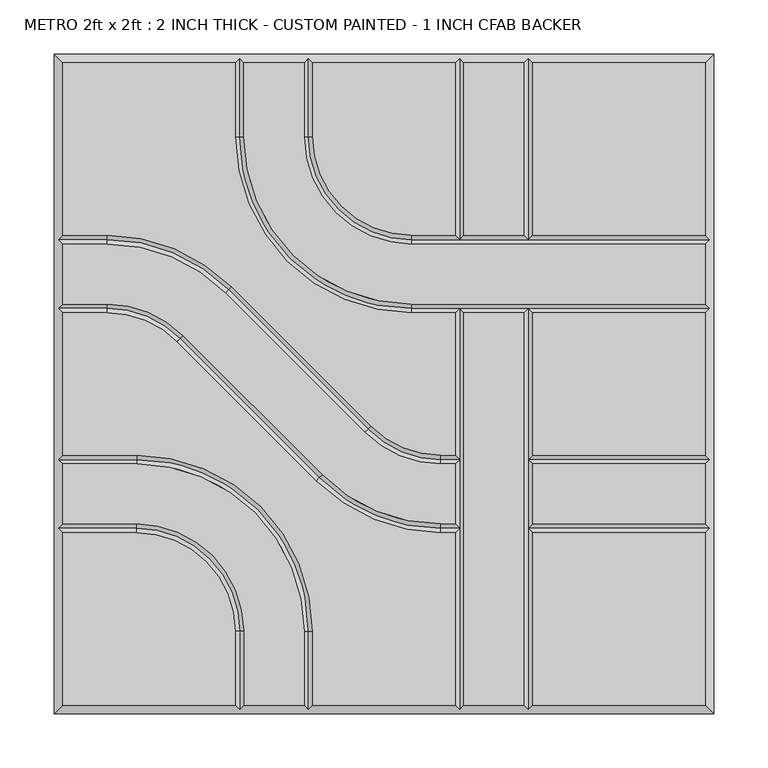
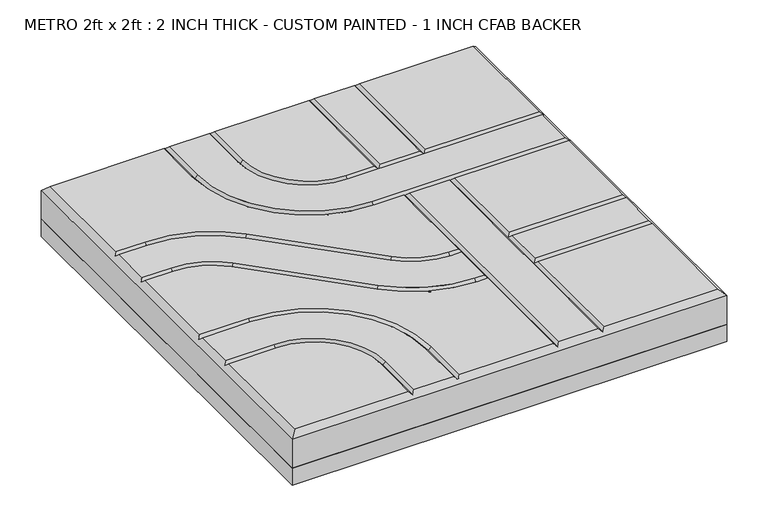
"""IFC4 building model written with IfcOpenShell, lengths in millimetres: proxy geometry, METRO 2ft x 2ft : 2 INCH THICK - CUSTOM PAINTED - 1 INCH CFAB BACKER."""

from ifc_helpers import new_model, si_unit, frame, origin, place, context, project, spatial, polyline, circle_curve, outline, extrude, source, transform, mapped, element, save
from ifc_brep_helpers import plane_surface, revolved_surface, advanced_brep


def metro_2ft_x_2ft_2_inch_thick_custom_painted_1_inch_cfab_a051d8b5(model_context):
    return source(origin(), model_context, "Body", "SolidModel", [
        extrude(outline(polyline([(-304.8, 304.8), (304.8, 304.8), (304.8, -304.8), (-304.8, -304.8), (-304.8, 304.8)])), frame((0.0, 0.0, -25.4), z_axis=(0.0, 0.0, 1.0), x_axis=(1.0, 0.0, 0.0)), (0.0, 0.0, 1.0), 25.4),
        advanced_brep(
        [(-296.799, 296.799, 50.8), (-296.799, 137.3505125, 50.8), (-255.8081898, 137.3505125, 50.8), (-140.7286116, 89.6843987, 50.8), (-11.9143433, -39.124488, 50.8), (52.607449, -65.8495, 50.8), (65.8495, -65.8495, 50.8), (65.8495, 65.8494982, 50.8), (25.3995376, 65.8494982, 50.8), (-137.3509624, 228.5999982, 50.8), (-137.3509624, 296.799, 50.8), (296.799, 137.3504983, 50.8), (296.799, 296.799, 50.8), (137.3504989, 296.799, 50.8), (137.3504989, 137.3504983, 50.8), (-296.799, -137.3504992, 50.8), (-296.799, -296.799, 50.8), (-137.3505299, -296.799, 50.8), (-137.3505299, -228.5999992, 50.8), (-228.6000299, -137.3504992, 50.8), (137.3505, -296.799, 50.8), (296.799, -296.799, 50.8), (296.799, -137.3505, 50.8), (137.3505, -137.3505, 50.8), (52.607449, -73.8505, 50.8), (-17.5717865, -44.7821676, 50.8), (-146.3860548, 84.0267191, 50.8), (-255.8081898, 129.3495125, 50.8), (-296.799, 129.3495125, 50.8), (-296.799, 73.8505125, 50.8), (-255.8074396, 73.8505125, 50.8), (-185.6278585, 44.7818346, 50.8), (-56.8157432, -84.0261678, 50.8), (52.6069307, -129.3495, 50.8), (65.8495, -129.3495, 50.8), (65.8495, -73.8505, 50.8), (52.6069307, -137.3505, 50.8), (-62.4732142, -89.6838195, 50.8), (-191.2853295, 39.1241829, 50.8), (-255.8074396, 65.8495125, 50.8), (-296.799, 65.8495125, 50.8), (-296.799, -65.8494992, 50.8), (-228.6000171, -65.8494992, 50.8), (-65.8495171, -228.5999992, 50.8), (-65.8495171, -296.799, 50.8), (65.8495, -296.799, 50.8), (65.8495, -137.3505, 50.8), (-129.3495299, -228.5999992, 50.8), (-129.3495299, -296.799, 50.8), (-73.8505171, -296.799, 50.8), (-73.8505171, -228.5999992, 50.8), (-228.6000171, -73.8504992, 50.8), (-296.799, -73.8504992, 50.8), (-296.799, -129.3494992, 50.8), (-228.6000299, -129.3494992, 50.8), (-129.3499624, 296.799, 50.8), (-129.3499624, 228.5999982, 50.8), (25.3995376, 73.8504982, 50.8), (296.799, 73.8504982, 50.8), (296.799, 129.3494983, 50.8), (25.3995504, 129.3494983, 50.8), (-73.8509496, 228.5999983, 50.8), (-73.8509496, 296.799, 50.8), (-65.8499496, 296.799, 50.8), (-65.8499496, 228.5999983, 50.8), (25.3995504, 137.3504983, 50.8), (65.8494989, 137.3504983, 50.8), (65.8494989, 296.799, 50.8), (73.8504989, 296.799, 50.8), (73.8504989, 137.3504983, 50.8), (129.3494989, 137.3504983, 50.8), (129.3494989, 296.799, 50.8), (73.8505, 65.8494982, 50.8), (73.8505, -296.799, 50.8), (129.3495, -296.799, 50.8), (129.3495, 65.8494982, 50.8), (296.799, 65.8494982, 50.8), (137.3505, 65.8494982, 50.8), (137.3505, -65.8495, 50.8), (296.799, -65.8495, 50.8), (137.3505, -129.3495, 50.8), (296.799, -129.3495, 50.8), (296.799, -73.8505, 50.8), (137.3505, -73.8505, 50.8), (-304.8, 304.8, 0.0), (304.8, 304.8, 0.0), (304.8, -304.8, 0.0), (-304.8, -304.8, 0.0), (-304.8, -304.8, 42.799), (-304.8, 304.8, 42.799), (304.8, -304.8, 42.799), (304.8, 304.8, 42.799), (-133.3504624, 300.7995, 46.7995), (-69.8504496, 300.7995, 46.7995), (69.8499989, 300.7995, 46.7995), (133.3499989, 300.7995, 46.7995), (-300.7995, -133.3499992, 46.7995), (-300.7995, -69.8499992, 46.7995), (-300.7995, 69.8500125, 46.7995), (-300.7995, 133.3500125, 46.7995), (133.35, -300.7995, 46.7995), (69.85, -300.7995, 46.7995), (-69.8500171, -300.7995, 46.7995), (-133.3500299, -300.7995, 46.7995), (300.7995, 133.3499983, 46.7995), (300.7995, 69.8499982, 46.7995), (300.7995, -69.85, 46.7995), (300.7995, -133.35, 46.7995), (69.85, -69.85, 46.7995), (52.607449, -69.85, 46.7995), (-14.7430649, -41.9533278, 46.7995), (-143.5573332, 86.8555589, 46.7995), (-255.8081898, 133.3500125, 46.7995), (69.85, -133.35, 46.7995), (52.6069307, -133.35, 46.7995), (-59.6444787, -86.8549936, 46.7995), (-188.456594, 41.9530087, 46.7995), (-255.8074396, 69.8500125, 46.7995), (-133.3500299, -228.5999992, 46.7995), (-228.6000299, -133.3499992, 46.7995), (-228.6000171, -69.8499992, 46.7995), (-69.8500171, -228.5999992, 46.7995), (-133.3504624, 228.5999982, 46.7995), (25.3995376, 69.8499982, 46.7995), (69.85, 69.8499982, 46.7995), (133.35, 69.8499982, 46.7995), (-69.8504496, 228.5999983, 46.7995), (25.3995504, 133.3499983, 46.7995), (133.3499989, 133.3499983, 46.7995), (69.8499989, 133.3499983, 46.7995), (133.35, -133.35, 46.7995), (133.35, -69.85, 46.7995)],
        [
            (0, 1),
            (1, 2),
            (2, 3, circle_curve(frame((-255.8081898, -25.3999875, 50.8), z_axis=(0.0, 0.0, -1.0), x_axis=(0.7070920101993013, 0.7071215518652442, 0.0)), 162.7505)),
            (3, 4),
            (4, 5, circle_curve(frame((52.607449, 25.4, 50.8), z_axis=(0.0, 0.0, 1.0), x_axis=(0.0, -1.0, 0.0)), 91.2495)),
            (5, 6),
            (6, 7),
            (7, 8),
            (8, 9, circle_curve(frame((25.3995376, 228.5999982, 50.8), z_axis=(0.0, 0.0, -1.0), x_axis=(-1.0, 0.0, 0.0)), 162.7505)),
            (9, 10),
            (10, 0),
            (11, 12),
            (12, 13),
            (13, 14),
            (14, 11),
            (15, 16),
            (16, 17),
            (17, 18),
            (18, 19, circle_curve(frame((-228.6000299, -228.5999992, 50.8), z_axis=(0.0, 0.0, 1.0), x_axis=(1.0, 0.0, 0.0)), 91.2495)),
            (19, 15),
            (20, 21),
            (21, 22),
            (22, 23),
            (23, 20),
            (24, 25, circle_curve(frame((52.607449, 25.4, 50.8), z_axis=(0.0, 0.0, -1.0), x_axis=(0.0, -1.0, 0.0)), 99.2505)),
            (25, 26),
            (26, 27, circle_curve(frame((-255.8081898, -25.3999875, 50.8), z_axis=(0.0, 0.0, 1.0), x_axis=(0.7070920101993013, 0.7071215518652442, 0.0)), 154.7495)),
            (27, 28),
            (28, 29),
            (29, 30),
            (30, 31, circle_curve(frame((-255.8074396, -25.3999875, 50.8), z_axis=(0.0, 0.0, -1.0), x_axis=(0.7070954919838734, 0.7071180702089884, 0.0)), 99.2505)),
            (31, 32),
            (32, 33, circle_curve(frame((52.6069307, 25.4, 50.8), z_axis=(0.0, 0.0, 1.0), x_axis=(0.0, -1.0, 0.0)), 154.7495)),
            (33, 34),
            (34, 35),
            (35, 24),
            (36, 37, circle_curve(frame((52.6069307, 25.4, 50.8), z_axis=(0.0, 0.0, -1.0), x_axis=(0.0, -1.0, 0.0)), 162.7505)),
            (37, 38),
            (38, 39, circle_curve(frame((-255.8074396, -25.3999875, 50.8), z_axis=(0.0, 0.0, 1.0), x_axis=(0.7070954919838734, 0.7071180702089884, 0.0)), 91.2495)),
            (39, 40),
            (40, 41),
            (41, 42),
            (42, 43, circle_curve(frame((-228.6000171, -228.5999992, 50.8), z_axis=(0.0, 0.0, -1.0), x_axis=(0.0, 1.0, 0.0)), 162.7505)),
            (43, 44),
            (44, 45),
            (45, 46),
            (46, 36),
            (47, 48),
            (48, 49),
            (49, 50),
            (50, 51, circle_curve(frame((-228.6000171, -228.5999992, 50.8), z_axis=(0.0, 0.0, 1.0), x_axis=(0.0, 1.0, 0.0)), 154.7495)),
            (51, 52),
            (52, 53),
            (53, 54),
            (54, 47, circle_curve(frame((-228.6000299, -228.5999992, 50.8), z_axis=(0.0, 0.0, -1.0), x_axis=(1.0, 0.0, 0.0)), 99.2505)),
            (55, 56),
            (56, 57, circle_curve(frame((25.3995376, 228.5999982, 50.8), z_axis=(0.0, 0.0, 1.0), x_axis=(-1.0, 0.0, 0.0)), 154.7495)),
            (57, 58),
            (58, 59),
            (59, 60),
            (60, 61, circle_curve(frame((25.3995504, 228.5999983, 50.8), z_axis=(0.0, 0.0, -1.0), x_axis=(-1.0, 0.0, 0.0)), 99.2505)),
            (61, 62),
            (62, 55),
            (63, 64),
            (64, 65, circle_curve(frame((25.3995504, 228.5999983, 50.8), z_axis=(0.0, 0.0, 1.0), x_axis=(-1.0, 0.0, 0.0)), 91.2495)),
            (65, 66),
            (66, 67),
            (67, 63),
            (68, 69),
            (69, 70),
            (70, 71),
            (71, 68),
            (72, 73),
            (73, 74),
            (74, 75),
            (75, 72),
            (76, 77),
            (77, 78),
            (78, 79),
            (79, 76),
            (80, 81),
            (81, 82),
            (82, 83),
            (83, 80),
            (84, 85),
            (85, 86),
            (86, 87),
            (87, 84),
            (87, 88),
            (88, 89),
            (89, 84),
            (86, 90),
            (90, 88),
            (85, 91),
            (91, 90),
            (89, 91),
            (89, 0),
            (10, 92),
            (92, 55),
            (62, 93),
            (93, 63),
            (67, 94),
            (94, 68),
            (71, 95),
            (95, 13),
            (12, 91),
            (88, 16),
            (15, 96),
            (96, 53),
            (52, 97),
            (97, 41),
            (40, 98),
            (98, 29),
            (28, 99),
            (99, 1),
            (90, 21),
            (20, 100),
            (100, 74),
            (73, 101),
            (101, 45),
            (44, 102),
            (102, 49),
            (48, 103),
            (103, 17),
            (11, 104),
            (104, 59),
            (58, 105),
            (105, 76),
            (79, 106),
            (106, 82),
            (81, 107),
            (107, 22),
            (108, 109),
            (109, 24),
            (35, 108),
            (108, 6),
            (5, 109),
            (109, 110, circle_curve(frame((52.607449, 25.4, 46.7995), z_axis=(0.0, 0.0, -1.0), x_axis=(0.0, -1.0, 0.0)), 95.25)),
            (110, 25),
            (4, 110),
            (110, 111),
            (111, 26),
            (3, 111),
            (111, 112, circle_curve(frame((-255.8081898, -25.3999875, 46.7995), z_axis=(0.0, 0.0, 1.0), x_axis=(0.7070920101993013, 0.7071215518652442, 0.0)), 158.75)),
            (112, 27),
            (2, 112),
            (112, 99),
            (113, 114),
            (114, 36),
            (46, 113),
            (113, 34),
            (33, 114),
            (114, 115, circle_curve(frame((52.6069307, 25.4, 46.7995), z_axis=(0.0, 0.0, -1.0), x_axis=(0.0, -1.0, 0.0)), 158.75)),
            (115, 37),
            (32, 115),
            (115, 116),
            (116, 38),
            (31, 116),
            (116, 117, circle_curve(frame((-255.8074396, -25.3999875, 46.7995), z_axis=(0.0, 0.0, 1.0), x_axis=(0.7070954919838734, 0.7071180702089884, 0.0)), 95.25)),
            (117, 39),
            (30, 117),
            (117, 98),
            (118, 18),
            (103, 118),
            (47, 118),
            (118, 119, circle_curve(frame((-228.6000299, -228.5999992, 46.7995), z_axis=(0.0, 0.0, 1.0), x_axis=(1.0, 0.0, 0.0)), 95.25)),
            (119, 19),
            (54, 119),
            (119, 96),
            (120, 42),
            (97, 120),
            (51, 120),
            (120, 121, circle_curve(frame((-228.6000171, -228.5999992, 46.7995), z_axis=(0.0, 0.0, -1.0), x_axis=(0.0, 1.0, 0.0)), 158.75)),
            (121, 43),
            (50, 121),
            (121, 102),
            (122, 56),
            (92, 122),
            (9, 122),
            (122, 123, circle_curve(frame((25.3995376, 228.5999982, 46.7995), z_axis=(0.0, 0.0, 1.0), x_axis=(-1.0, 0.0, 0.0)), 158.75)),
            (123, 57),
            (8, 123),
            (123, 124),
            (124, 125),
            (125, 105),
            (125, 77),
            (7, 124),
            (124, 72),
            (75, 125),
            (126, 64),
            (93, 126),
            (61, 126),
            (126, 127, circle_curve(frame((25.3995504, 228.5999983, 46.7995), z_axis=(0.0, 0.0, 1.0), x_axis=(-1.0, 0.0, 0.0)), 95.25)),
            (127, 65),
            (60, 127),
            (14, 128),
            (128, 104),
            (127, 129),
            (129, 66),
            (69, 129),
            (129, 128),
            (128, 70),
            (129, 94),
            (128, 95),
            (108, 124),
            (113, 108),
            (101, 113),
            (100, 130),
            (130, 131),
            (131, 125),
            (23, 130),
            (131, 78),
            (130, 80),
            (83, 131),
            (107, 130),
            (106, 131),
        ],
        [
            plane_surface(frame((-304.8, 304.8, 50.8), z_axis=(0.0, 0.0, 1.0), x_axis=(0.0, -1.0, 0.0))),
            plane_surface(frame((-304.8, 304.8, 0.0), z_axis=(0.0, 0.0, -1.0), x_axis=(0.0, 1.0, 0.0))),
            plane_surface(frame((-304.8, 304.8, 50.8), z_axis=(-1.0, 0.0, 0.0), x_axis=(0.0, 0.0, -1.0))),
            plane_surface(frame((-304.8, -304.8, 50.8), z_axis=(0.0, -1.0, 0.0), x_axis=(0.0, 0.0, -1.0))),
            plane_surface(frame((304.8, -304.8, 50.8), z_axis=(1.0, 0.0, 0.0), x_axis=(0.0, 0.0, -1.0))),
            plane_surface(frame((304.8, 304.8, 50.8), z_axis=(0.0, 1.0, 0.0), x_axis=(0.0, 0.0, -1.0))),
            plane_surface(frame((296.799, 296.799, 50.8), z_axis=(0.0, 0.707106781186547, 0.7071067811865481), x_axis=(-1.0, 0.0, 0.0))),
            plane_surface(frame((-296.799, 296.799, 50.8), z_axis=(-0.707106781186547, 0.0, 0.7071067811865481), x_axis=(0.0, -1.0, 0.0))),
            plane_surface(frame((-296.799, -296.799, 50.8), z_axis=(0.0, -0.707106781186547, 0.7071067811865481), x_axis=(1.0, 0.0, 0.0))),
            plane_surface(frame((296.799, -296.799, 50.8), z_axis=(0.707106781186547, 0.0, 0.7071067811865481), x_axis=(0.0, 1.0, 0.0))),
            plane_surface(frame((69.85, -73.8505, 50.8), z_axis=(0.0, 0.7071067811865469, 0.7071067811865482), x_axis=(-1.0, 0.0, 0.0))),
            plane_surface(frame((69.85, -69.85, 46.7995), z_axis=(0.0, -0.7071067811865469, 0.7071067811865482), x_axis=(-1.0, 0.0, 0.0))),
            revolved_surface(polyline([(52.607449, -69.85, 46.7995), (52.607449, -73.8505, 50.8)]), (52.607449, 25.4, 50.8), (0.0, 0.0, -1.0)),
            revolved_surface(polyline([(52.607449, -65.8495, 50.8), (52.607449, -69.85, 46.7995)]), (52.607449, 25.4, 50.8), (0.0, 0.0, -1.0)),
            plane_surface(frame((-17.5717865, -44.7821676, 50.8), z_axis=(0.49998955533475287, 0.5000104444470687, 0.7071067811865481), x_axis=(-0.7071215518652442, 0.7070920101993012, 0.0))),
            plane_surface(frame((-14.7430649, -41.9533278, 46.7995), z_axis=(-0.49998955533475287, -0.5000104444470689, 0.7071067811865483), x_axis=(-0.7071215518652444, 0.7070920101993012, 0.0))),
            revolved_surface(polyline([(-143.5573332, 86.8555589, 46.7995), (-146.3860548, 84.0267191, 50.8)]), (-255.8081898, -25.3999875, 50.8), (0.0, 0.0, 1.0)),
            revolved_surface(polyline([(-140.7286116, 89.6843987, 50.8), (-143.5573332, 86.8555589, 46.7995)]), (-255.8081898, -25.3999875, 50.8), (0.0, 0.0, 1.0)),
            plane_surface(frame((-255.8081898, 129.3495125, 50.8), z_axis=(0.0, 0.7071067811865469, 0.7071067811865482), x_axis=(-1.0, 0.0, 0.0))),
            plane_surface(frame((-255.8081898, 133.3500125, 46.7995), z_axis=(0.0, -0.7071067811865469, 0.7071067811865482), x_axis=(-1.0, 0.0, 0.0))),
            plane_surface(frame((69.85, -137.3505, 50.8), z_axis=(0.0, 0.7071067811865471, 0.707106781186548), x_axis=(-1.0, 0.0, 0.0))),
            plane_surface(frame((69.85, -133.35, 46.7995), z_axis=(0.0, -0.7071067811865471, 0.707106781186548), x_axis=(-1.0, 0.0, 0.0))),
            revolved_surface(polyline([(52.6069307, -133.35, 46.7995), (52.6069307, -137.3505, 50.8)]), (52.6069307, 25.4, 50.8), (0.0, 0.0, -1.0)),
            revolved_surface(polyline([(52.6069307, -129.3495, 50.8), (52.6069307, -133.35, 46.7995)]), (52.6069307, 25.4, 50.8), (0.0, 0.0, -1.0)),
            plane_surface(frame((-62.4732142, -89.6838195, 50.8), z_axis=(0.49999201732823445, 0.5000079825443209, 0.7071067811865479), x_axis=(-0.7071180702089888, 0.7070954919838731, 0.0))),
            plane_surface(frame((-59.6444787, -86.8549936, 46.7995), z_axis=(-0.49999201732823445, -0.5000079825443208, 0.707106781186548), x_axis=(-0.7071180702089888, 0.7070954919838732, 0.0))),
            revolved_surface(polyline([(-188.456594, 41.9530087, 46.7995), (-191.2853295, 39.1241829, 50.8)]), (-255.8074396, -25.3999875, 50.8), (0.0, 0.0, 1.0)),
            revolved_surface(polyline([(-185.6278585, 44.7818346, 50.8), (-188.456594, 41.9530087, 46.7995)]), (-255.8074396, -25.3999875, 50.8), (0.0, 0.0, 1.0)),
            plane_surface(frame((-255.8074396, 65.8495125, 50.8), z_axis=(0.0, 0.7071067811865472, 0.7071067811865479), x_axis=(-1.0, 0.0, 0.0))),
            plane_surface(frame((-255.8074396, 69.8500125, 46.7995), z_axis=(0.0, -0.7071067811865472, 0.7071067811865479), x_axis=(-1.0, 0.0, 0.0))),
            plane_surface(frame((-137.3505299, -304.8, 50.8), z_axis=(0.707106781186547, 0.0, 0.7071067811865481), x_axis=(0.0, 1.0, 0.0))),
            plane_surface(frame((-133.3500299, -304.8, 46.7995), z_axis=(-0.707106781186547, 0.0, 0.7071067811865481), x_axis=(0.0, 1.0, 0.0))),
            revolved_surface(polyline([(-133.3500299, -228.5999992, 46.7995), (-137.3505299, -228.5999992, 50.8)]), (-228.6000299, -228.5999992, 50.8), (0.0, 0.0, 1.0)),
            revolved_surface(polyline([(-129.3495299, -228.5999992, 50.8), (-133.3500299, -228.5999992, 46.7995)]), (-228.6000299, -228.5999992, 50.8), (0.0, 0.0, 1.0)),
            plane_surface(frame((-228.6000299, -137.3504992, 50.8), z_axis=(0.0, 0.707106781186547, 0.7071067811865481), x_axis=(-1.0, 0.0, 0.0))),
            plane_surface(frame((-228.6000299, -133.3499992, 46.7995), z_axis=(0.0, -0.707106781186547, 0.7071067811865481), x_axis=(-1.0, 0.0, 0.0))),
            plane_surface(frame((-304.8, -65.8494992, 50.8), z_axis=(0.0, -0.707106781186547, 0.7071067811865481), x_axis=(1.0, 0.0, 0.0))),
            plane_surface(frame((-304.8, -69.8499992, 46.7995), z_axis=(0.0, 0.707106781186547, 0.7071067811865481), x_axis=(1.0, 0.0, 0.0))),
            revolved_surface(polyline([(-228.6000171, -69.8499992, 46.7995), (-228.6000171, -65.8494992, 50.8)]), (-228.6000171, -228.5999992, 50.8), (0.0, 0.0, -1.0)),
            revolved_surface(polyline([(-228.6000171, -73.8504992, 50.8), (-228.6000171, -69.8499992, 46.7995)]), (-228.6000171, -228.5999992, 50.8), (0.0, 0.0, -1.0)),
            plane_surface(frame((-65.8495171, -228.5999992, 50.8), z_axis=(-0.707106781186547, 0.0, 0.7071067811865481), x_axis=(0.0, -1.0, 0.0))),
            plane_surface(frame((-69.8500171, -228.5999992, 46.7995), z_axis=(0.707106781186547, 0.0, 0.7071067811865481), x_axis=(0.0, -1.0, 0.0))),
            plane_surface(frame((-129.3499624, 304.8, 50.8), z_axis=(-0.707106781186547, 0.0, 0.7071067811865481), x_axis=(0.0, -1.0, 0.0))),
            plane_surface(frame((-133.3504624, 304.8, 46.7995), z_axis=(0.707106781186547, 0.0, 0.7071067811865481), x_axis=(0.0, -1.0, 0.0))),
            revolved_surface(polyline([(-133.3504624, 228.5999982, 46.7995), (-129.3499624, 228.5999982, 50.8)]), (25.3995376, 228.5999982, 50.8), (0.0, 0.0, 1.0)),
            revolved_surface(polyline([(-137.3509624, 228.5999982, 50.8), (-133.3504624, 228.5999982, 46.7995)]), (25.3995376, 228.5999982, 50.8), (0.0, 0.0, 1.0)),
            plane_surface(frame((25.3995376, 73.8504982, 50.8), z_axis=(0.0, -0.707106781186547, 0.7071067811865481), x_axis=(1.0, 0.0, 0.0))),
            plane_surface(frame((25.3995376, 69.8499982, 46.7995), z_axis=(0.0, 0.707106781186547, 0.7071067811865481), x_axis=(1.0, 0.0, 0.0))),
            plane_surface(frame((-65.8499496, 304.8, 50.8), z_axis=(-0.707106781186547, 0.0, 0.7071067811865481), x_axis=(0.0, -1.0, 0.0))),
            plane_surface(frame((-69.8504496, 304.8, 46.7995), z_axis=(0.707106781186547, 0.0, 0.7071067811865481), x_axis=(0.0, -1.0, 0.0))),
            revolved_surface(polyline([(-69.8504496, 228.5999983, 46.7995), (-65.8499496, 228.5999983, 50.8)]), (25.3995504, 228.5999983, 50.8), (0.0, 0.0, 1.0)),
            revolved_surface(polyline([(-73.8509496, 228.5999983, 50.8), (-69.8504496, 228.5999983, 46.7995)]), (25.3995504, 228.5999983, 50.8), (0.0, 0.0, 1.0)),
            plane_surface(frame((25.3995504, 137.3504983, 50.8), z_axis=(0.0, -0.707106781186547, 0.7071067811865481), x_axis=(1.0, 0.0, 0.0))),
            plane_surface(frame((25.3995504, 133.3499983, 46.7995), z_axis=(0.0, 0.707106781186547, 0.7071067811865481), x_axis=(1.0, 0.0, 0.0))),
            plane_surface(frame((65.8494989, 133.35, 50.8), z_axis=(0.707106781186547, 0.0, 0.7071067811865481), x_axis=(0.0, 1.0, 0.0))),
            plane_surface(frame((69.8499989, 133.35, 46.7995), z_axis=(-0.707106781186547, 0.0, 0.7071067811865481), x_axis=(0.0, 1.0, 0.0))),
            plane_surface(frame((129.3494989, 133.35, 50.8), z_axis=(0.707106781186547, 0.0, 0.7071067811865481), x_axis=(0.0, 1.0, 0.0))),
            plane_surface(frame((133.3499989, 133.35, 46.7995), z_axis=(-0.707106781186547, 0.0, 0.7071067811865481), x_axis=(0.0, 1.0, 0.0))),
            plane_surface(frame((65.8495, -304.8, 50.8), z_axis=(0.707106781186547, 0.0, 0.7071067811865481), x_axis=(0.0, 1.0, 0.0))),
            plane_surface(frame((69.85, -304.8, 46.7995), z_axis=(-0.707106781186547, 0.0, 0.7071067811865481), x_axis=(0.0, 1.0, 0.0))),
            plane_surface(frame((129.3495, -304.8, 50.8), z_axis=(0.707106781186547, 0.0, 0.7071067811865481), x_axis=(0.0, 1.0, 0.0))),
            plane_surface(frame((133.35, -304.8, 46.7995), z_axis=(-0.707106781186547, 0.0, 0.7071067811865481), x_axis=(0.0, 1.0, 0.0))),
            plane_surface(frame((304.8, -137.3505, 50.8), z_axis=(0.0, 0.707106781186547, 0.7071067811865481), x_axis=(-1.0, 0.0, 0.0))),
            plane_surface(frame((304.8, -133.35, 46.7995), z_axis=(0.0, -0.707106781186547, 0.7071067811865481), x_axis=(-1.0, 0.0, 0.0))),
            plane_surface(frame((304.8, -73.8505, 50.8), z_axis=(0.0, 0.707106781186547, 0.7071067811865481), x_axis=(-1.0, 0.0, 0.0))),
            plane_surface(frame((304.8, -69.85, 46.7995), z_axis=(0.0, -0.707106781186547, 0.7071067811865481), x_axis=(-1.0, 0.0, 0.0))),
        ],
        [
            (0, [[1, 2, 3, 4, 5, 6, 7, 8, 9, 10, 11]]),
            (0, [[12, 13, 14, 15]]),
            (0, [[16, 17, 18, 19, 20]]),
            (0, [[21, 22, 23, 24]]),
            (0, [[25, 26, 27, 28, 29, 30, 31, 32, 33, 34, 35, 36]]),
            (0, [[37, 38, 39, 40, 41, 42, 43, 44, 45, 46, 47]]),
            (0, [[48, 49, 50, 51, 52, 53, 54, 55]]),
            (0, [[56, 57, 58, 59, 60, 61, 62, 63]]),
            (0, [[64, 65, 66, 67, 68]]),
            (0, [[69, 70, 71, 72]]),
            (0, [[73, 74, 75, 76]]),
            (0, [[77, 78, 79, 80]]),
            (0, [[81, 82, 83, 84]]),
            (1, [[85, 86, 87, 88]]),
            (2, [[-88, 89, 90, 91]]),
            (3, [[-87, 92, 93, -89]]),
            (4, [[-86, 94, 95, -92]]),
            (5, [[-85, -91, 96, -94]]),
            (6, [[97, -11, 98, 99, -63, 100, 101, -68, 102, 103, -72, 104, 105, -13, 106, -96]]),
            (7, [[-97, -90, 107, -16, 108, 109, -53, 110, 111, -41, 112, 113, -29, 114, 115, -1]]),
            (8, [[-107, -93, 116, -21, 117, 118, -74, 119, 120, -45, 121, 122, -49, 123, 124, -17]]),
            (9, [[-106, -12, 125, 126, -59, 127, 128, -80, 129, 130, -82, 131, 132, -22, -116, -95]]),
            (10, [[133, 134, -36, 135]]),
            (11, [[-133, 136, -6, 137]]),
            (12, [[-134, 138, 139, -25]]),
            (13, [[-137, -5, 140, -138]]),
            (14, [[-139, 141, 142, -26]]),
            (15, [[-140, -4, 143, -141]]),
            (16, [[-142, 144, 145, -27]]),
            (17, [[-143, -3, 146, -144]]),
            (18, [[-145, 147, -114, -28]]),
            (19, [[-146, -2, -115, -147]]),
            (20, [[148, 149, -47, 150]]),
            (21, [[-148, 151, -34, 152]]),
            (22, [[-149, 153, 154, -37]]),
            (23, [[-152, -33, 155, -153]]),
            (24, [[-154, 156, 157, -38]]),
            (25, [[-155, -32, 158, -156]]),
            (26, [[-157, 159, 160, -39]]),
            (27, [[-158, -31, 161, -159]]),
            (28, [[-160, 162, -112, -40]]),
            (29, [[-161, -30, -113, -162]]),
            (30, [[163, -18, -124, 164]]),
            (31, [[165, -164, -123, -48]]),
            (32, [[-163, 166, 167, -19]]),
            (33, [[-165, -55, 168, -166]]),
            (34, [[-167, 169, -108, -20]]),
            (35, [[-168, -54, -109, -169]]),
            (36, [[170, -42, -111, 171]]),
            (37, [[172, -171, -110, -52]]),
            (38, [[-170, 173, 174, -43]]),
            (39, [[-172, -51, 175, -173]]),
            (40, [[-174, 176, -121, -44]]),
            (41, [[-175, -50, -122, -176]]),
            (42, [[177, -56, -99, 178]]),
            (43, [[179, -178, -98, -10]]),
            (44, [[-177, 180, 181, -57]]),
            (45, [[-179, -9, 182, -180]]),
            (46, [[-181, 183, 184, 185, -127, -58]]),
            (47, [[-128, -185, 186, -77]]),
            (47, [[-182, -8, 187, -183]]),
            (47, [[188, -76, 189, -184]]),
            (48, [[190, -64, -101, 191]]),
            (49, [[192, -191, -100, -62]]),
            (50, [[-190, 193, 194, -65]]),
            (51, [[-192, -61, 195, -193]]),
            (52, [[-125, -15, 196, 197]]),
            (52, [[-194, 198, 199, -66]]),
            (52, [[200, 201, 202, -70]]),
            (53, [[-195, -60, -126, -197, -201, -198]]),
            (54, [[203, -102, -67, -199]]),
            (55, [[-203, -200, -69, -103]]),
            (56, [[204, -104, -71, -202]]),
            (57, [[-204, -196, -14, -105]]),
            (58, [[205, -187, -7, -136]]),
            (58, [[206, -135, -35, -151]]),
            (58, [[207, -150, -46, -120]]),
            (59, [[-205, -206, -207, -119, -73, -188]]),
            (60, [[-75, -118, 208, 209, 210, -189]]),
            (61, [[-117, -24, 211, -208]]),
            (61, [[-186, -210, 212, -78]]),
            (61, [[213, -84, 214, -209]]),
            (62, [[215, -211, -23, -132]]),
            (63, [[-215, -131, -81, -213]]),
            (64, [[216, -214, -83, -130]]),
            (65, [[-216, -129, -79, -212]]),
        ],
    ),
    ])


if __name__ == "__main__":
    model = new_model("IFC4")
    model_context = context("Model", 3, world=origin())
    ifc_project = project(units=[si_unit("LENGTHUNIT", "METRE", prefix="MILLI")], contexts=[model_context])
    site = spatial("IfcSite", under=ifc_project)
    building = spatial("IfcBuilding", under=site)
    placement = place(None, origin())
    metro_2ft_x_2ft_2_inch_thick_custom_painted_1_inch_cfab_shape = metro_2ft_x_2ft_2_inch_thick_custom_painted_1_inch_cfab_a051d8b5(model_context)
    element("IfcBuildingElementProxy", 1, Name="METRO 2ft x 2ft : 2 INCH THICK - CUSTOM PAINTED - 1 INCH CFAB BACKER", ObjectType="METRO 2ft x 2ft : 2 INCH THICK - CUSTOM PAINTED - 1 INCH CFAB BACKER", at=placement, inside=building, context=model_context, shape_type="MappedRepresentation", body=[
        mapped(metro_2ft_x_2ft_2_inch_thick_custom_painted_1_inch_cfab_shape, transform((0.0, 0.0, 0.0), x_axis=(1.0, 0.0, 0.0), y_axis=(0.0, 1.0, 0.0), z_axis=(0.0, 0.0, 1.0))),
    ])
    save(model, "model.ifc")
